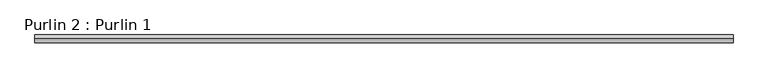
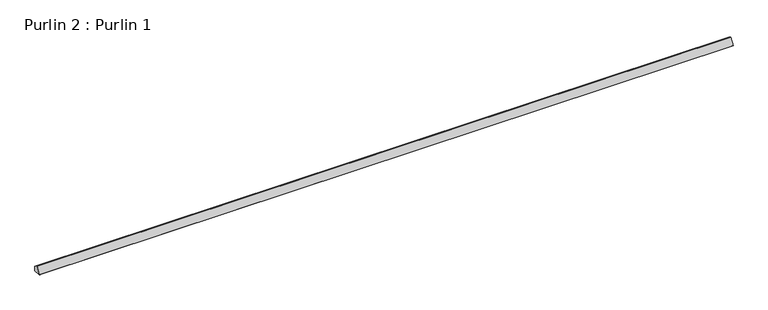
"""IFC4 building model written with IfcOpenShell, lengths in millimetres: proxy geometry, Purlin 2 : Purlin 1."""

from ifc_helpers import new_model, si_unit, frame, origin, place, context, project, spatial, polyline, outline, extrude, source, transform, mapped, element, save


def purlin_2_purlin_1_38c5bbd1(model_context):
    return source(origin(), model_context, "Body", "SweptSolid", [
        extrude(outline(polyline([(-17920.2334436, -100.3926785), (-18013.6546048, -100.3926785), (-18013.6546048, -99.5843909), (-18014.3433577, -99.1867393), (-17967.634433, -18.2845086), (-17920.2334436, -45.6430593), (-17920.2334436, -100.3926785)])), frame((8349.0184747, 0.0, 0.0), z_axis=(1.0, 0.0, 0.0), x_axis=(0.0, 1.0, 0.0)), (0.0, 0.0, 1.0), 8454.9504394),
    ])


if __name__ == "__main__":
    model = new_model("IFC4")
    model_context = context("Model", 3, world=origin())
    ifc_project = project(units=[si_unit("LENGTHUNIT", "METRE", prefix="MILLI")], contexts=[model_context])
    site = spatial("IfcSite", under=ifc_project)
    building = spatial("IfcBuilding", under=site)
    placement = place(None, origin())
    purlin_2_purlin_1_shape = purlin_2_purlin_1_38c5bbd1(model_context)
    element("IfcBuildingElementProxy", 1, Name="Purlin 2 : Purlin 1", ObjectType="Purlin 2 : Purlin 1", at=placement, inside=building, context=model_context, shape_type="MappedRepresentation", body=[
        mapped(purlin_2_purlin_1_shape, transform((0.0, 0.0, 0.0), x_axis=(1.0, 0.0, 0.0), y_axis=(0.0, 1.0, 0.0), z_axis=(0.0, 0.0, 1.0))),
    ])
    save(model, "model.ifc")
